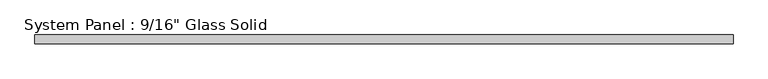
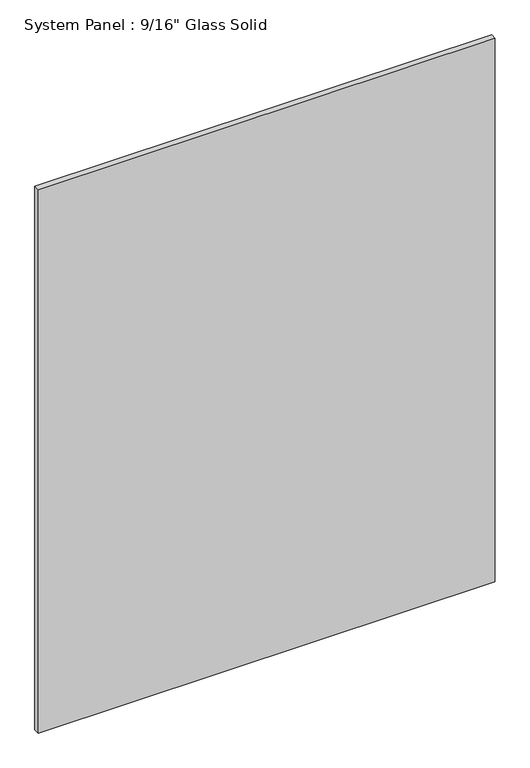
"""IFC4 building model written with IfcOpenShell, lengths in millimetres: plate geometry."""

from ifc_helpers import new_model, si_unit, origin, origin_with_axes, place, context, project, spatial, polyline, outline, extrude, source, transform, mapped, element, save


def plate_7808b817(model_context):
    return source(origin(), model_context, "Body", "SweptSolid", [
        extrude(outline(polyline([(577.8508852, -7.14375), (-577.8508852, -7.14375), (-577.8508852, 7.14375), (577.8508852, 7.14375), (577.8508852, -7.14375)])), origin_with_axes(), (0.0, 0.0, 1.0), 1452.8817704),
    ])


if __name__ == "__main__":
    model = new_model("IFC4")
    model_context = context("Model", 3, world=origin())
    ifc_project = project(units=[si_unit("LENGTHUNIT", "METRE", prefix="MILLI")], contexts=[model_context])
    site = spatial("IfcSite", under=ifc_project)
    building = spatial("IfcBuilding", under=site)
    placement = place(None, origin())
    plate_shape = plate_7808b817(model_context)
    element("IfcPlate", 1, ObjectType="System Panel : 9/16\" Glass Solid", at=placement, inside=building, context=model_context, shape_type="MappedRepresentation", body=[
        mapped(plate_shape, transform((0.0, 0.0, 0.0), x_axis=(1.0, 0.0, 0.0), y_axis=(0.0, 1.0, 0.0), z_axis=(0.0, 0.0, 1.0))),
    ])
    save(model, "model.ifc")
